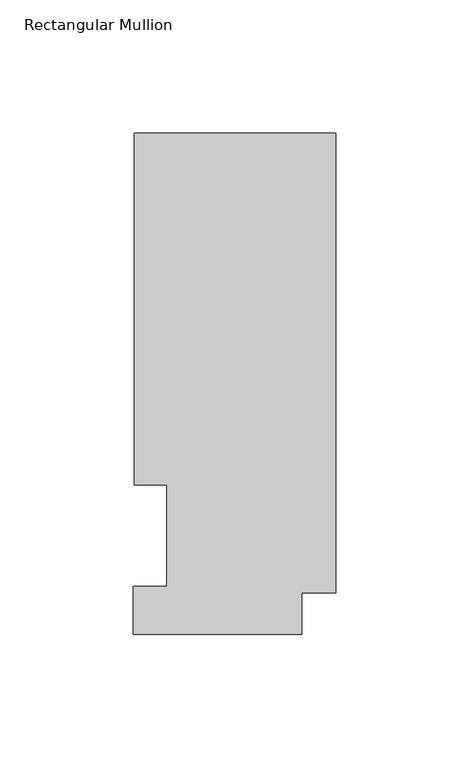
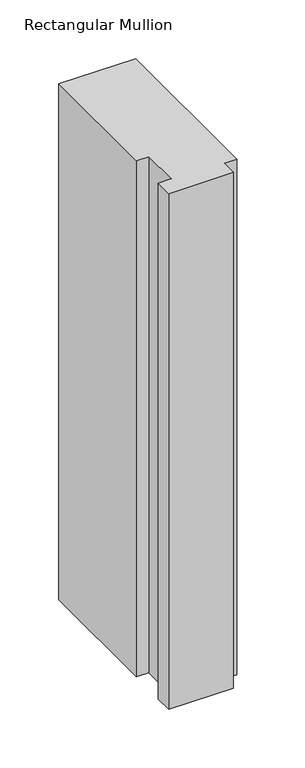
"""IFC4 building model written with IfcOpenShell, lengths in millimetres: member geometry, Rectangular Mullion."""

from ifc_helpers import new_model, si_unit, frame, origin, place, context, project, spatial, polyline, outline, extrude, source, transform, mapped, element, save


def rectangular_mullion_434d5866(model_context):
    return source(origin(), model_context, "Body", "SweptSolid", [
        extrude(outline(polyline([(-12.7, 0.5199063), (-76.2, 0.5199063), (-76.2, 18.5539063), (-63.5, 18.5539062), (-63.5, 56.6539062), (-75.7936, 56.6539063), (-75.7936, 189.0895063), (0.0, 189.0895063), (0.0, 16.1663063), (-12.7, 16.1663063), (-12.7, 0.5199063)])), frame((0.0, 0.0, -538.1612992), z_axis=(0.0, 0.0, 1.0), x_axis=(1.0, 0.0, 0.0)), (0.0, 0.0, 1.0), 538.1612992),
    ])


if __name__ == "__main__":
    model = new_model("IFC4")
    model_context = context("Model", 3, world=origin())
    ifc_project = project(units=[si_unit("LENGTHUNIT", "METRE", prefix="MILLI")], contexts=[model_context])
    site = spatial("IfcSite", under=ifc_project)
    building = spatial("IfcBuilding", under=site)
    placement = place(None, origin())
    rectangular_mullion_shape = rectangular_mullion_434d5866(model_context)
    element("IfcMember", 1, ObjectType="Rectangular Mullion", at=placement, inside=building, context=model_context, shape_type="MappedRepresentation", body=[
        mapped(rectangular_mullion_shape, transform((0.0, 0.0, 0.0), x_axis=(1.0, 0.0, 0.0), y_axis=(0.0, 1.0, 0.0), z_axis=(0.0, 0.0, 1.0))),
    ])
    save(model, "model.ifc")
